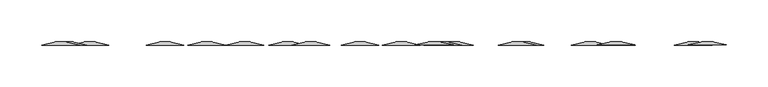
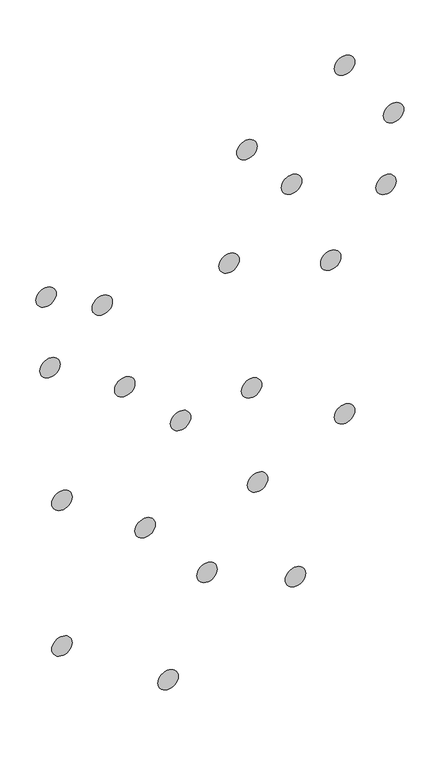
"""IFC4 building model written with IfcOpenShell, lengths in millimetres: furniture geometry."""

from ifc_helpers import new_model, si_unit, frame, origin, place, context, project, spatial, polyline, circle_curve, source, transform, mapped, element, save
from ifc_brep_helpers import plane_surface, revolved_surface, advanced_brep


def furniture_87b277cb(model_context):
    return source(origin(), model_context, "Body", "AdvancedBrep", [
        advanced_brep(
        [(158.8337664, 66.8126425, 1112.1425857), (204.492354, 66.8126425, 1112.1425857), (176.7965442, 70.9156022, 1112.1425857), (186.5295762, 70.9156022, 1112.1425857)],
        [
            (0, 1, circle_curve(frame((181.6630602, 66.8126425, 1112.1425857), z_axis=(0.0, -1.0, 0.0), x_axis=(-1.0, 0.0, 0.0)), 22.8292938)),
            (1, 0, circle_curve(frame((181.6630602, 66.8126425, 1112.1425857), z_axis=(0.0, -1.0, 0.0), x_axis=(1.0, 0.0, 0.0)), 22.8292938)),
            (2, 3, circle_curve(frame((181.6630602, 70.9156022, 1112.1425857), z_axis=(0.0, 1.0, 0.0), x_axis=(1.0, 0.0, 0.0)), 4.866516)),
            (3, 2, circle_curve(frame((181.6630602, 70.9156022, 1112.1425857), z_axis=(0.0, 1.0, 0.0), x_axis=(-1.0, 0.0, 0.0)), 4.866516)),
            (3, 1),
            (0, 2),
        ],
        [
            plane_surface(frame((181.6630602, 66.8126425, 1112.1425857), z_axis=(0.0, -1.0, 0.0), x_axis=(0.0, 0.0, -1.0))),
            plane_surface(frame((181.6630602, 70.9156022, 1112.1425857), z_axis=(0.0, 1.0, 0.0), x_axis=(0.0, 0.0, -1.0))),
            revolved_surface(polyline([(186.52957608644303, 70.9156022, 1112.1425857), (204.492354, 66.8126425, 1112.1425857)]), (181.6630602, 72.0271852, 1112.1425857), (0.0, -1.0, 0.0)),
            revolved_surface(polyline([(176.79654431355695, 70.9156022, 1112.1425857), (158.8337664, 66.8126425, 1112.1425857)]), (181.6630602, 72.0271852, 1112.1425857), (0.0, -1.0, 0.0)),
        ],
        [
            (0, [[1, 2]]),
            (1, [[3, 4]]),
            (2, [[-4, 5, -1, 6]]),
            (3, [[-3, -6, -2, -5]]),
        ],
    ),
        advanced_brep(
        [(284.5207333, 66.8126425, 1049.1126176), (330.1793209, 66.8126425, 1049.1126176), (302.4835111, 70.9156022, 1049.1126176), (312.2165431, 70.9156022, 1049.1126176)],
        [
            (0, 1, circle_curve(frame((307.3500271, 66.8126425, 1049.1126176), z_axis=(0.0, -1.0, 0.0), x_axis=(-1.0, 0.0, 0.0)), 22.8292938)),
            (1, 0, circle_curve(frame((307.3500271, 66.8126425, 1049.1126176), z_axis=(0.0, -1.0, 0.0), x_axis=(1.0, 0.0, 0.0)), 22.8292938)),
            (2, 3, circle_curve(frame((307.3500271, 70.9156022, 1049.1126176), z_axis=(0.0, 1.0, 0.0), x_axis=(1.0, 0.0, 0.0)), 4.866516)),
            (3, 2, circle_curve(frame((307.3500271, 70.9156022, 1049.1126176), z_axis=(0.0, 1.0, 0.0), x_axis=(-1.0, 0.0, 0.0)), 4.866516)),
            (3, 1),
            (0, 2),
        ],
        [
            plane_surface(frame((307.3500271, 66.8126425, 1049.1126176), z_axis=(0.0, -1.0, 0.0), x_axis=(0.0, 0.0, -1.0))),
            plane_surface(frame((307.3500271, 70.9156022, 1049.1126176), z_axis=(0.0, 1.0, 0.0), x_axis=(0.0, 0.0, -1.0))),
            revolved_surface(polyline([(312.216542986443, 70.9156022, 1049.1126176), (330.1793209, 66.8126425, 1049.1126176)]), (307.3500271, 72.0271852, 1049.1126176), (0.0, -1.0, 0.0)),
            revolved_surface(polyline([(302.48351121355694, 70.9156022, 1049.1126176), (284.5207333, 66.8126425, 1049.1126176)]), (307.3500271, 72.0271852, 1049.1126176), (0.0, -1.0, 0.0)),
        ],
        [
            (0, [[1, 2]]),
            (1, [[3, 4]]),
            (2, [[-4, 5, -1, 6]]),
            (3, [[-3, -6, -2, -5]]),
        ],
    ),
        advanced_brep(
        [(167.5008298, 66.8126425, 941.8417883), (213.1594175, 66.8126425, 941.8417883), (185.4636076, 70.9156022, 941.8417883), (195.1966397, 70.9156022, 941.8417883)],
        [
            (0, 1, circle_curve(frame((190.3301236, 66.8126425, 941.8417883), z_axis=(0.0, -1.0, 0.0), x_axis=(-1.0, 0.0, 0.0)), 22.8292938)),
            (1, 0, circle_curve(frame((190.3301236, 66.8126425, 941.8417883), z_axis=(0.0, -1.0, 0.0), x_axis=(1.0, 0.0, 0.0)), 22.8292938)),
            (2, 3, circle_curve(frame((190.3301236, 70.9156022, 941.8417883), z_axis=(0.0, 1.0, 0.0), x_axis=(1.0, 0.0, 0.0)), 4.866516)),
            (3, 2, circle_curve(frame((190.3301236, 70.9156022, 941.8417883), z_axis=(0.0, 1.0, 0.0), x_axis=(-1.0, 0.0, 0.0)), 4.866516)),
            (3, 1),
            (0, 2),
        ],
        [
            plane_surface(frame((190.3301236, 66.8126425, 941.8417883), z_axis=(0.0, -1.0, 0.0), x_axis=(0.0, 0.0, -1.0))),
            plane_surface(frame((190.3301236, 70.9156022, 941.8417883), z_axis=(0.0, 1.0, 0.0), x_axis=(0.0, 0.0, -1.0))),
            revolved_surface(polyline([(195.19663950776, 70.9156022, 941.8417883), (213.1594175, 66.8126425, 941.8417883)]), (190.3301236, 72.0271852, 941.8417883), (0.0, -1.0, 0.0)),
            revolved_surface(polyline([(185.46360771355697, 70.9156022, 941.8417883), (167.5008298, 66.8126425, 941.8417883)]), (190.3301236, 72.0271852, 941.8417883), (0.0, -1.0, 0.0)),
        ],
        [
            (0, [[1, 2]]),
            (1, [[3, 4]]),
            (2, [[-4, 5, -1, 6]]),
            (3, [[-3, -6, -2, -5]]),
        ],
    ),
        advanced_brep(
        [(460.1375913, 66.8126425, 714.3631948), (505.7961789, 66.8126425, 714.3631948), (478.1003691, 70.9156022, 714.3631948), (487.8334011, 70.9156022, 714.3631948)],
        [
            (0, 1, circle_curve(frame((482.9668851, 66.8126425, 714.3631948), z_axis=(0.0, -1.0, 0.0), x_axis=(-1.0, 0.0, 0.0)), 22.8292938)),
            (1, 0, circle_curve(frame((482.9668851, 66.8126425, 714.3631948), z_axis=(0.0, -1.0, 0.0), x_axis=(1.0, 0.0, 0.0)), 22.8292938)),
            (2, 3, circle_curve(frame((482.9668851, 70.9156022, 714.3631948), z_axis=(0.0, 1.0, 0.0), x_axis=(1.0, 0.0, 0.0)), 4.866516)),
            (3, 2, circle_curve(frame((482.9668851, 70.9156022, 714.3631948), z_axis=(0.0, 1.0, 0.0), x_axis=(-1.0, 0.0, 0.0)), 4.866516)),
            (3, 1),
            (0, 2),
        ],
        [
            plane_surface(frame((482.9668851, 66.8126425, 714.3631948), z_axis=(0.0, -1.0, 0.0), x_axis=(0.0, 0.0, -1.0))),
            plane_surface(frame((482.9668851, 70.9156022, 714.3631948), z_axis=(0.0, 1.0, 0.0), x_axis=(0.0, 0.0, -1.0))),
            revolved_surface(polyline([(487.83340098644305, 70.9156022, 714.3631948), (505.7961789, 66.8126425, 714.3631948)]), (482.9668851, 72.0271852, 714.3631948), (0.0, -1.0, 0.0)),
            revolved_surface(polyline([(478.100369213557, 70.9156022, 714.3631948), (460.1375913, 66.8126425, 714.3631948)]), (482.9668851, 72.0271852, 714.3631948), (0.0, -1.0, 0.0)),
        ],
        [
            (0, [[1, 2]]),
            (1, [[3, 4]]),
            (2, [[-4, 5, -1, 6]]),
            (3, [[-3, -6, -2, -5]]),
        ],
    ),
        advanced_brep(
        [(334.941111, 66.8126425, 838.0544934), (380.5996986, 66.8126425, 838.0544934), (352.9038888, 70.9156022, 838.0544934), (362.6369208, 70.9156022, 838.0544934)],
        [
            (0, 1, circle_curve(frame((357.7704048, 66.8126425, 838.0544934), z_axis=(0.0, -1.0, 0.0), x_axis=(-1.0, 0.0, 0.0)), 22.8292938)),
            (1, 0, circle_curve(frame((357.7704048, 66.8126425, 838.0544934), z_axis=(0.0, -1.0, 0.0), x_axis=(1.0, 0.0, 0.0)), 22.8292938)),
            (2, 3, circle_curve(frame((357.7704048, 70.9156022, 838.0544934), z_axis=(0.0, 1.0, 0.0), x_axis=(1.0, 0.0, 0.0)), 4.866516)),
            (3, 2, circle_curve(frame((357.7704048, 70.9156022, 838.0544934), z_axis=(0.0, 1.0, 0.0), x_axis=(-1.0, 0.0, 0.0)), 4.866516)),
            (3, 1),
            (0, 2),
        ],
        [
            plane_surface(frame((357.7704048, 66.8126425, 838.0544934), z_axis=(0.0, -1.0, 0.0), x_axis=(0.0, 0.0, -1.0))),
            plane_surface(frame((357.7704048, 70.9156022, 838.0544934), z_axis=(0.0, 1.0, 0.0), x_axis=(0.0, 0.0, -1.0))),
            revolved_surface(polyline([(362.63692068644303, 70.9156022, 838.0544934), (380.5996986, 66.8126425, 838.0544934)]), (357.7704048, 72.0271852, 838.0544934), (0.0, -1.0, 0.0)),
            revolved_surface(polyline([(352.90388891355695, 70.9156022, 838.0544934), (334.941111, 66.8126425, 838.0544934)]), (357.7704048, 72.0271852, 838.0544934), (0.0, -1.0, 0.0)),
        ],
        [
            (0, [[1, 2]]),
            (1, [[3, 4]]),
            (2, [[-4, 5, -1, 6]]),
            (3, [[-3, -6, -2, -5]]),
        ],
    ),
        advanced_brep(
        [(194.1781542, 66.8126425, 618.3802489), (239.8367418, 66.8126425, 618.3802489), (212.140932, 70.9156022, 618.3802489), (221.873964, 70.9156022, 618.3802489)],
        [
            (0, 1, circle_curve(frame((217.007448, 66.8126425, 618.3802489), z_axis=(0.0, -1.0, 0.0), x_axis=(-1.0, 0.0, 0.0)), 22.8292938)),
            (1, 0, circle_curve(frame((217.007448, 66.8126425, 618.3802489), z_axis=(0.0, -1.0, 0.0), x_axis=(1.0, 0.0, 0.0)), 22.8292938)),
            (2, 3, circle_curve(frame((217.007448, 70.9156022, 618.3802489), z_axis=(0.0, 1.0, 0.0), x_axis=(1.0, 0.0, 0.0)), 4.866516)),
            (3, 2, circle_curve(frame((217.007448, 70.9156022, 618.3802489), z_axis=(0.0, 1.0, 0.0), x_axis=(-1.0, 0.0, 0.0)), 4.866516)),
            (3, 1),
            (0, 2),
        ],
        [
            plane_surface(frame((217.007448, 66.8126425, 618.3802489), z_axis=(0.0, -1.0, 0.0), x_axis=(0.0, 0.0, -1.0))),
            plane_surface(frame((217.007448, 70.9156022, 618.3802489), z_axis=(0.0, 1.0, 0.0), x_axis=(0.0, 0.0, -1.0))),
            revolved_surface(polyline([(221.87396388644305, 70.9156022, 618.3802489), (239.8367418, 66.8126425, 618.3802489)]), (217.007448, 72.0271852, 618.3802489), (0.0, -1.0, 0.0)),
            revolved_surface(polyline([(212.14093211355697, 70.9156022, 618.3802489), (194.1781542, 66.8126425, 618.3802489)]), (217.007448, 72.0271852, 618.3802489), (0.0, -1.0, 0.0)),
        ],
        [
            (0, [[1, 2]]),
            (1, [[3, 4]]),
            (2, [[-4, 5, -1, 6]]),
            (3, [[-3, -6, -2, -5]]),
        ],
    ),
        advanced_brep(
        [(432.0598398, 66.8126425, 110.230144), (477.7184274, 66.8126425, 110.230144), (450.0226176, 70.9156022, 110.230144), (459.7556496, 70.9156022, 110.230144)],
        [
            (0, 1, circle_curve(frame((454.8891336, 66.8126425, 110.230144), z_axis=(0.0, -1.0, 0.0), x_axis=(-1.0, 0.0, 0.0)), 22.8292938)),
            (1, 0, circle_curve(frame((454.8891336, 66.8126425, 110.230144), z_axis=(0.0, -1.0, 0.0), x_axis=(1.0, 0.0, 0.0)), 22.8292938)),
            (2, 3, circle_curve(frame((454.8891336, 70.9156022, 110.230144), z_axis=(0.0, 1.0, 0.0), x_axis=(1.0, 0.0, 0.0)), 4.866516)),
            (3, 2, circle_curve(frame((454.8891336, 70.9156022, 110.230144), z_axis=(0.0, 1.0, 0.0), x_axis=(-1.0, 0.0, 0.0)), 4.866516)),
            (3, 1),
            (0, 2),
        ],
        [
            plane_surface(frame((454.8891336, 66.8126425, 110.230144), z_axis=(0.0, -1.0, 0.0), x_axis=(0.0, 0.0, -1.0))),
            plane_surface(frame((454.8891336, 70.9156022, 110.230144), z_axis=(0.0, 1.0, 0.0), x_axis=(0.0, 0.0, -1.0))),
            revolved_surface(polyline([(459.755649486443, 70.9156022, 110.230144), (477.7184274, 66.8126425, 110.230144)]), (454.8891336, 72.0271852, 110.230144), (0.0, -1.0, 0.0)),
            revolved_surface(polyline([(450.02261771355694, 70.9156022, 110.230144), (432.0598398, 66.8126425, 110.230144)]), (454.8891336, 72.0271852, 110.230144), (0.0, -1.0, 0.0)),
        ],
        [
            (0, [[1, 2]]),
            (1, [[3, 4]]),
            (2, [[-4, 5, -1, 6]]),
            (3, [[-3, -6, -2, -5]]),
        ],
    ),
        advanced_brep(
        [(194.2380615, 66.8126425, 273.4057678), (239.8966491, 66.8126425, 273.4057678), (212.2008393, 70.9156022, 273.4057678), (221.9338713, 70.9156022, 273.4057678)],
        [
            (0, 1, circle_curve(frame((217.0673553, 66.8126425, 273.4057678), z_axis=(0.0, -1.0, 0.0), x_axis=(-1.0, 0.0, 0.0)), 22.8292938)),
            (1, 0, circle_curve(frame((217.0673553, 66.8126425, 273.4057678), z_axis=(0.0, -1.0, 0.0), x_axis=(1.0, 0.0, 0.0)), 22.8292938)),
            (2, 3, circle_curve(frame((217.0673553, 70.9156022, 273.4057678), z_axis=(0.0, 1.0, 0.0), x_axis=(1.0, 0.0, 0.0)), 4.866516)),
            (3, 2, circle_curve(frame((217.0673553, 70.9156022, 273.4057678), z_axis=(0.0, 1.0, 0.0), x_axis=(-1.0, 0.0, 0.0)), 4.866516)),
            (3, 1),
            (0, 2),
        ],
        [
            plane_surface(frame((217.0673553, 66.8126425, 273.4057678), z_axis=(0.0, -1.0, 0.0), x_axis=(0.0, 0.0, -1.0))),
            plane_surface(frame((217.0673553, 70.9156022, 273.4057678), z_axis=(0.0, 1.0, 0.0), x_axis=(0.0, 0.0, -1.0))),
            revolved_surface(polyline([(221.93387118644304, 70.9156022, 273.4057678), (239.8966491, 66.8126425, 273.4057678)]), (217.0673553, 72.0271852, 273.4057678), (0.0, -1.0, 0.0)),
            revolved_surface(polyline([(212.20083941355696, 70.9156022, 273.4057678), (194.2380615, 66.8126425, 273.4057678)]), (217.0673553, 72.0271852, 273.4057678), (0.0, -1.0, 0.0)),
        ],
        [
            (0, [[1, 2]]),
            (1, [[3, 4]]),
            (2, [[-4, 5, -1, 6]]),
            (3, [[-3, -6, -2, -5]]),
        ],
    ),
        advanced_brep(
        [(380.642356, 66.8126425, 488.3298064), (426.3009437, 66.8126425, 488.3298064), (398.6051338, 70.9156022, 488.3298064), (408.3381659, 70.9156022, 488.3298064)],
        [
            (0, 1, circle_curve(frame((403.4716498, 66.8126425, 488.3298064), z_axis=(0.0, -1.0, 0.0), x_axis=(-1.0, 0.0, 0.0)), 22.8292938)),
            (1, 0, circle_curve(frame((403.4716498, 66.8126425, 488.3298064), z_axis=(0.0, -1.0, 0.0), x_axis=(1.0, 0.0, 0.0)), 22.8292938)),
            (2, 3, circle_curve(frame((403.4716498, 70.9156022, 488.3298064), z_axis=(0.0, 1.0, 0.0), x_axis=(1.0, 0.0, 0.0)), 4.866516)),
            (3, 2, circle_curve(frame((403.4716498, 70.9156022, 488.3298064), z_axis=(0.0, 1.0, 0.0), x_axis=(-1.0, 0.0, 0.0)), 4.866516)),
            (3, 1),
            (0, 2),
        ],
        [
            plane_surface(frame((403.4716498, 66.8126425, 488.3298064), z_axis=(0.0, -1.0, 0.0), x_axis=(0.0, 0.0, -1.0))),
            plane_surface(frame((403.4716498, 70.9156022, 488.3298064), z_axis=(0.0, 1.0, 0.0), x_axis=(0.0, 0.0, -1.0))),
            revolved_surface(polyline([(408.33816570776, 70.9156022, 488.3298064), (426.3009437, 66.8126425, 488.3298064)]), (403.4716498, 72.0271852, 488.3298064), (0.0, -1.0, 0.0)),
            revolved_surface(polyline([(398.605133913557, 70.9156022, 488.3298064), (380.642356, 66.8126425, 488.3298064)]), (403.4716498, 72.0271852, 488.3298064), (0.0, -1.0, 0.0)),
        ],
        [
            (0, [[1, 2]]),
            (1, [[3, 4]]),
            (2, [[-4, 5, -1, 6]]),
            (3, [[-3, -6, -2, -5]]),
        ],
    ),
        advanced_brep(
        [(519.1599457, 66.8126425, 333.9180113), (564.8185334, 66.8126425, 333.9180113), (537.1227235, 70.9156022, 333.9180113), (546.8557556, 70.9156022, 333.9180113)],
        [
            (0, 1, circle_curve(frame((541.9892396, 66.8126425, 333.9180113), z_axis=(0.0, -1.0, 0.0), x_axis=(-1.0, 0.0, 0.0)), 22.8292938)),
            (1, 0, circle_curve(frame((541.9892396, 66.8126425, 333.9180113), z_axis=(0.0, -1.0, 0.0), x_axis=(1.0, 0.0, 0.0)), 22.8292938)),
            (2, 3, circle_curve(frame((541.9892396, 70.9156022, 333.9180113), z_axis=(0.0, 1.0, 0.0), x_axis=(1.0, 0.0, 0.0)), 4.866516)),
            (3, 2, circle_curve(frame((541.9892396, 70.9156022, 333.9180113), z_axis=(0.0, 1.0, 0.0), x_axis=(-1.0, 0.0, 0.0)), 4.866516)),
            (3, 1),
            (0, 2),
        ],
        [
            plane_surface(frame((541.9892396, 66.8126425, 333.9180113), z_axis=(0.0, -1.0, 0.0), x_axis=(0.0, 0.0, -1.0))),
            plane_surface(frame((541.9892396, 70.9156022, 333.9180113), z_axis=(0.0, 1.0, 0.0), x_axis=(0.0, 0.0, -1.0))),
            revolved_surface(polyline([(546.8557554864431, 70.9156022, 333.9180113), (564.8185334, 66.8126425, 333.9180113)]), (541.9892396, 72.0271852, 333.9180113), (0.0, -1.0, 0.0)),
            revolved_surface(polyline([(537.12272369224, 70.9156022, 333.9180113), (519.1599457, 66.8126425, 333.9180113)]), (541.9892396, 72.0271852, 333.9180113), (0.0, -1.0, 0.0)),
        ],
        [
            (0, [[1, 2]]),
            (1, [[3, 4]]),
            (2, [[-4, 5, -1, 6]]),
            (3, [[-3, -6, -2, -5]]),
        ],
    ),
        advanced_brep(
        [(717.2142735, 66.8126425, 254.4325842), (762.8728611, 66.8126425, 254.4325842), (735.1770513, 70.9156022, 254.4325842), (744.9100833, 70.9156022, 254.4325842)],
        [
            (0, 1, circle_curve(frame((740.0435673, 66.8126425, 254.4325842), z_axis=(0.0, -1.0, 0.0), x_axis=(-1.0, 0.0, 0.0)), 22.8292938)),
            (1, 0, circle_curve(frame((740.0435673, 66.8126425, 254.4325842), z_axis=(0.0, -1.0, 0.0), x_axis=(1.0, 0.0, 0.0)), 22.8292938)),
            (2, 3, circle_curve(frame((740.0435673, 70.9156022, 254.4325842), z_axis=(0.0, 1.0, 0.0), x_axis=(1.0, 0.0, 0.0)), 4.866516)),
            (3, 2, circle_curve(frame((740.0435673, 70.9156022, 254.4325842), z_axis=(0.0, 1.0, 0.0), x_axis=(-1.0, 0.0, 0.0)), 4.866516)),
            (3, 1),
            (0, 2),
        ],
        [
            plane_surface(frame((740.0435673, 66.8126425, 254.4325842), z_axis=(0.0, -1.0, 0.0), x_axis=(0.0, 0.0, -1.0))),
            plane_surface(frame((740.0435673, 70.9156022, 254.4325842), z_axis=(0.0, 1.0, 0.0), x_axis=(0.0, 0.0, -1.0))),
            revolved_surface(polyline([(744.910083186443, 70.9156022, 254.4325842), (762.8728611, 66.8126425, 254.4325842)]), (740.0435673, 72.0271852, 254.4325842), (0.0, -1.0, 0.0)),
            revolved_surface(polyline([(735.1770514135569, 70.9156022, 254.4325842), (717.2142735, 66.8126425, 254.4325842)]), (740.0435673, 72.0271852, 254.4325842), (0.0, -1.0, 0.0)),
        ],
        [
            (0, [[1, 2]]),
            (1, [[3, 4]]),
            (2, [[-4, 5, -1, 6]]),
            (3, [[-3, -6, -2, -5]]),
        ],
    ),
        advanced_brep(
        [(632.6231844, 66.8126425, 508.2775632), (678.281772, 66.8126425, 508.2775632), (650.5859621, 70.9156022, 508.2775632), (660.3189942, 70.9156022, 508.2775632)],
        [
            (0, 1, circle_curve(frame((655.4524782, 66.8126425, 508.2775632), z_axis=(0.0, -1.0, 0.0), x_axis=(-1.0, 0.0, 0.0)), 22.8292938)),
            (1, 0, circle_curve(frame((655.4524782, 66.8126425, 508.2775632), z_axis=(0.0, -1.0, 0.0), x_axis=(1.0, 0.0, 0.0)), 22.8292938)),
            (2, 3, circle_curve(frame((655.4524782, 70.9156022, 508.2775632), z_axis=(0.0, 1.0, 0.0), x_axis=(1.0, 0.0, 0.0)), 4.866516)),
            (3, 2, circle_curve(frame((655.4524782, 70.9156022, 508.2775632), z_axis=(0.0, 1.0, 0.0), x_axis=(-1.0, 0.0, 0.0)), 4.866516)),
            (3, 1),
            (0, 2),
        ],
        [
            plane_surface(frame((655.4524782, 66.8126425, 508.2775632), z_axis=(0.0, -1.0, 0.0), x_axis=(0.0, 0.0, -1.0))),
            plane_surface(frame((655.4524782, 70.9156022, 508.2775632), z_axis=(0.0, 1.0, 0.0), x_axis=(0.0, 0.0, -1.0))),
            revolved_surface(polyline([(660.318994086443, 70.9156022, 508.2775632), (678.281772, 66.8126425, 508.2775632)]), (655.4524782, 72.0271852, 508.2775632), (0.0, -1.0, 0.0)),
            revolved_surface(polyline([(650.5859623135569, 70.9156022, 508.2775632), (632.6231844, 66.8126425, 508.2775632)]), (655.4524782, 72.0271852, 508.2775632), (0.0, -1.0, 0.0)),
        ],
        [
            (0, [[1, 2]]),
            (1, [[3, 4]]),
            (2, [[-4, 5, -1, 6]]),
            (3, [[-3, -6, -2, -5]]),
        ],
    ),
        advanced_brep(
        [(827.3992809, 66.8126425, 601.6360567), (873.0578685, 66.8126425, 601.6360567), (845.3620587, 70.9156022, 601.6360567), (855.0950907, 70.9156022, 601.6360567)],
        [
            (0, 1, circle_curve(frame((850.2285747, 66.8126425, 601.6360567), z_axis=(0.0, -1.0, 0.0), x_axis=(-1.0, 0.0, 0.0)), 22.8292938)),
            (1, 0, circle_curve(frame((850.2285747, 66.8126425, 601.6360567), z_axis=(0.0, -1.0, 0.0), x_axis=(1.0, 0.0, 0.0)), 22.8292938)),
            (2, 3, circle_curve(frame((850.2285747, 70.9156022, 601.6360567), z_axis=(0.0, 1.0, 0.0), x_axis=(1.0, 0.0, 0.0)), 4.866516)),
            (3, 2, circle_curve(frame((850.2285747, 70.9156022, 601.6360567), z_axis=(0.0, 1.0, 0.0), x_axis=(-1.0, 0.0, 0.0)), 4.866516)),
            (3, 1),
            (0, 2),
        ],
        [
            plane_surface(frame((850.2285747, 66.8126425, 601.6360567), z_axis=(0.0, -1.0, 0.0), x_axis=(0.0, 0.0, -1.0))),
            plane_surface(frame((850.2285747, 70.9156022, 601.6360567), z_axis=(0.0, 1.0, 0.0), x_axis=(0.0, 0.0, -1.0))),
            revolved_surface(polyline([(855.095090586443, 70.9156022, 601.6360567), (873.0578685, 66.8126425, 601.6360567)]), (850.2285747, 72.0271852, 601.6360567), (0.0, -1.0, 0.0)),
            revolved_surface(polyline([(845.3620588135569, 70.9156022, 601.6360567), (827.3992809, 66.8126425, 601.6360567)]), (850.2285747, 72.0271852, 601.6360567), (0.0, -1.0, 0.0)),
        ],
        [
            (0, [[1, 2]]),
            (1, [[3, 4]]),
            (2, [[-4, 5, -1, 6]]),
            (3, [[-3, -6, -2, -5]]),
        ],
    ),
        advanced_brep(
        [(618.9192702, 66.8126425, 735.8076305), (664.5778578, 66.8126425, 735.8076305), (636.882048, 70.9156022, 735.8076305), (646.61508, 70.9156022, 735.8076305)],
        [
            (0, 1, circle_curve(frame((641.748564, 66.8126425, 735.8076305), z_axis=(0.0, -1.0, 0.0), x_axis=(-1.0, 0.0, 0.0)), 22.8292938)),
            (1, 0, circle_curve(frame((641.748564, 66.8126425, 735.8076305), z_axis=(0.0, -1.0, 0.0), x_axis=(1.0, 0.0, 0.0)), 22.8292938)),
            (2, 3, circle_curve(frame((641.748564, 70.9156022, 735.8076305), z_axis=(0.0, 1.0, 0.0), x_axis=(1.0, 0.0, 0.0)), 4.866516)),
            (3, 2, circle_curve(frame((641.748564, 70.9156022, 735.8076305), z_axis=(0.0, 1.0, 0.0), x_axis=(-1.0, 0.0, 0.0)), 4.866516)),
            (3, 1),
            (0, 2),
        ],
        [
            plane_surface(frame((641.748564, 66.8126425, 735.8076305), z_axis=(0.0, -1.0, 0.0), x_axis=(0.0, 0.0, -1.0))),
            plane_surface(frame((641.748564, 70.9156022, 735.8076305), z_axis=(0.0, 1.0, 0.0), x_axis=(0.0, 0.0, -1.0))),
            revolved_surface(polyline([(646.615079886443, 70.9156022, 735.8076305), (664.5778578, 66.8126425, 735.8076305)]), (641.748564, 72.0271852, 735.8076305), (0.0, -1.0, 0.0)),
            revolved_surface(polyline([(636.882048113557, 70.9156022, 735.8076305), (618.9192702, 66.8126425, 735.8076305)]), (641.748564, 72.0271852, 735.8076305), (0.0, -1.0, 0.0)),
        ],
        [
            (0, [[1, 2]]),
            (1, [[3, 4]]),
            (2, [[-4, 5, -1, 6]]),
            (3, [[-3, -6, -2, -5]]),
        ],
    ),
        advanced_brep(
        [(568.7650734, 66.8126425, 1049.1057189), (614.423661, 66.8126425, 1049.1057189), (586.7278512, 70.9156022, 1049.1057189), (596.4608832, 70.9156022, 1049.1057189)],
        [
            (0, 1, circle_curve(frame((591.5943672, 66.8126425, 1049.1057189), z_axis=(0.0, -1.0, 0.0), x_axis=(-1.0, 0.0, 0.0)), 22.8292938)),
            (1, 0, circle_curve(frame((591.5943672, 66.8126425, 1049.1057189), z_axis=(0.0, -1.0, 0.0), x_axis=(1.0, 0.0, 0.0)), 22.8292938)),
            (2, 3, circle_curve(frame((591.5943672, 70.9156022, 1049.1057189), z_axis=(0.0, 1.0, 0.0), x_axis=(1.0, 0.0, 0.0)), 4.866516)),
            (3, 2, circle_curve(frame((591.5943672, 70.9156022, 1049.1057189), z_axis=(0.0, 1.0, 0.0), x_axis=(-1.0, 0.0, 0.0)), 4.866516)),
            (3, 1),
            (0, 2),
        ],
        [
            plane_surface(frame((591.5943672, 66.8126425, 1049.1057189), z_axis=(0.0, -1.0, 0.0), x_axis=(0.0, 0.0, -1.0))),
            plane_surface(frame((591.5943672, 70.9156022, 1049.1057189), z_axis=(0.0, 1.0, 0.0), x_axis=(0.0, 0.0, -1.0))),
            revolved_surface(polyline([(596.460883086443, 70.9156022, 1049.1057189), (614.423661, 66.8126425, 1049.1057189)]), (591.5943672, 72.0271852, 1049.1057189), (0.0, -1.0, 0.0)),
            revolved_surface(polyline([(586.7278513135569, 70.9156022, 1049.1057189), (568.7650734, 66.8126425, 1049.1057189)]), (591.5943672, 72.0271852, 1049.1057189), (0.0, -1.0, 0.0)),
        ],
        [
            (0, [[1, 2]]),
            (1, [[3, 4]]),
            (2, [[-4, 5, -1, 6]]),
            (3, [[-3, -6, -2, -5]]),
        ],
    ),
        advanced_brep(
        [(796.2638241, 66.8126425, 976.4372013), (841.9224117, 66.8126425, 976.4372013), (814.2266019, 70.9156022, 976.4372013), (823.9596339, 70.9156022, 976.4372013)],
        [
            (0, 1, circle_curve(frame((819.0931179, 66.8126425, 976.4372013), z_axis=(0.0, -1.0, 0.0), x_axis=(-1.0, 0.0, 0.0)), 22.8292938)),
            (1, 0, circle_curve(frame((819.0931179, 66.8126425, 976.4372013), z_axis=(0.0, -1.0, 0.0), x_axis=(1.0, 0.0, 0.0)), 22.8292938)),
            (2, 3, circle_curve(frame((819.0931179, 70.9156022, 976.4372013), z_axis=(0.0, 1.0, 0.0), x_axis=(1.0, 0.0, 0.0)), 4.866516)),
            (3, 2, circle_curve(frame((819.0931179, 70.9156022, 976.4372013), z_axis=(0.0, 1.0, 0.0), x_axis=(-1.0, 0.0, 0.0)), 4.866516)),
            (3, 1),
            (0, 2),
        ],
        [
            plane_surface(frame((819.0931179, 66.8126425, 976.4372013), z_axis=(0.0, -1.0, 0.0), x_axis=(0.0, 0.0, -1.0))),
            plane_surface(frame((819.0931179, 70.9156022, 976.4372013), z_axis=(0.0, 1.0, 0.0), x_axis=(0.0, 0.0, -1.0))),
            revolved_surface(polyline([(823.9596337864431, 70.9156022, 976.4372013), (841.9224117, 66.8126425, 976.4372013)]), (819.0931179, 72.0271852, 976.4372013), (0.0, -1.0, 0.0)),
            revolved_surface(polyline([(814.226602013557, 70.9156022, 976.4372013), (796.2638241, 66.8126425, 976.4372013)]), (819.0931179, 72.0271852, 976.4372013), (0.0, -1.0, 0.0)),
        ],
        [
            (0, [[1, 2]]),
            (1, [[3, 4]]),
            (2, [[-4, 5, -1, 6]]),
            (3, [[-3, -6, -2, -5]]),
        ],
    ),
        advanced_brep(
        [(920.1117616, 66.8126425, 1112.2579437), (965.7703492, 66.8126425, 1112.2579437), (938.0745394, 70.9156022, 1112.2579437), (947.8075714, 70.9156022, 1112.2579437)],
        [
            (0, 1, circle_curve(frame((942.9410554, 66.8126425, 1112.2579437), z_axis=(0.0, -1.0, 0.0), x_axis=(-1.0, 0.0, 0.0)), 22.8292938)),
            (1, 0, circle_curve(frame((942.9410554, 66.8126425, 1112.2579437), z_axis=(0.0, -1.0, 0.0), x_axis=(1.0, 0.0, 0.0)), 22.8292938)),
            (2, 3, circle_curve(frame((942.9410554, 70.9156022, 1112.2579437), z_axis=(0.0, 1.0, 0.0), x_axis=(1.0, 0.0, 0.0)), 4.866516)),
            (3, 2, circle_curve(frame((942.9410554, 70.9156022, 1112.2579437), z_axis=(0.0, 1.0, 0.0), x_axis=(-1.0, 0.0, 0.0)), 4.866516)),
            (3, 1),
            (0, 2),
        ],
        [
            plane_surface(frame((942.9410554, 66.8126425, 1112.2579437), z_axis=(0.0, -1.0, 0.0), x_axis=(0.0, 0.0, -1.0))),
            plane_surface(frame((942.9410554, 70.9156022, 1112.2579437), z_axis=(0.0, 1.0, 0.0), x_axis=(0.0, 0.0, -1.0))),
            revolved_surface(polyline([(947.807571286443, 70.9156022, 1112.2579437), (965.7703492, 66.8126425, 1112.2579437)]), (942.9410554, 72.0271852, 1112.2579437), (0.0, -1.0, 0.0)),
            revolved_surface(polyline([(938.0745395135569, 70.9156022, 1112.2579437), (920.1117616, 66.8126425, 1112.2579437)]), (942.9410554, 72.0271852, 1112.2579437), (0.0, -1.0, 0.0)),
        ],
        [
            (0, [[1, 2]]),
            (1, [[3, 4]]),
            (2, [[-4, 5, -1, 6]]),
            (3, [[-3, -6, -2, -5]]),
        ],
    ),
        advanced_brep(
        [(708.5983698, 66.8126425, 1186.753677), (754.2569575, 66.8126425, 1186.753677), (726.5611476, 70.9156022, 1186.753677), (736.2941797, 70.9156022, 1186.753677)],
        [
            (0, 1, circle_curve(frame((731.4276637, 66.8126425, 1186.753677), z_axis=(0.0, -1.0, 0.0), x_axis=(-1.0, 0.0, 0.0)), 22.8292938)),
            (1, 0, circle_curve(frame((731.4276637, 66.8126425, 1186.753677), z_axis=(0.0, -1.0, 0.0), x_axis=(1.0, 0.0, 0.0)), 22.8292938)),
            (2, 3, circle_curve(frame((731.4276637, 70.9156022, 1186.753677), z_axis=(0.0, 1.0, 0.0), x_axis=(1.0, 0.0, 0.0)), 4.866516)),
            (3, 2, circle_curve(frame((731.4276637, 70.9156022, 1186.753677), z_axis=(0.0, 1.0, 0.0), x_axis=(-1.0, 0.0, 0.0)), 4.866516)),
            (3, 1),
            (0, 2),
        ],
        [
            plane_surface(frame((731.4276637, 66.8126425, 1186.753677), z_axis=(0.0, -1.0, 0.0), x_axis=(0.0, 0.0, -1.0))),
            plane_surface(frame((731.4276637, 70.9156022, 1186.753677), z_axis=(0.0, 1.0, 0.0), x_axis=(0.0, 0.0, -1.0))),
            revolved_surface(polyline([(736.2941795864431, 70.9156022, 1186.753677), (754.2569575, 66.8126425, 1186.753677)]), (731.4276637, 72.0271852, 1186.753677), (0.0, -1.0, 0.0)),
            revolved_surface(polyline([(726.56114779224, 70.9156022, 1186.753677), (708.5983698, 66.8126425, 1186.753677)]), (731.4276637, 72.0271852, 1186.753677), (0.0, -1.0, 0.0)),
        ],
        [
            (0, [[1, 2]]),
            (1, [[3, 4]]),
            (2, [[-4, 5, -1, 6]]),
            (3, [[-3, -6, -2, -5]]),
        ],
    ),
        advanced_brep(
        [(608.3000398, 66.8126425, 1303.7665015), (653.9586274, 66.8126425, 1303.7665015), (626.2628176, 70.9156022, 1303.7665015), (635.9958496, 70.9156022, 1303.7665015)],
        [
            (0, 1, circle_curve(frame((631.1293336, 66.8126425, 1303.7665015), z_axis=(0.0, -1.0, 0.0), x_axis=(-1.0, 0.0, 0.0)), 22.8292938)),
            (1, 0, circle_curve(frame((631.1293336, 66.8126425, 1303.7665015), z_axis=(0.0, -1.0, 0.0), x_axis=(1.0, 0.0, 0.0)), 22.8292938)),
            (2, 3, circle_curve(frame((631.1293336, 70.9156022, 1303.7665015), z_axis=(0.0, 1.0, 0.0), x_axis=(1.0, 0.0, 0.0)), 4.866516)),
            (3, 2, circle_curve(frame((631.1293336, 70.9156022, 1303.7665015), z_axis=(0.0, 1.0, 0.0), x_axis=(-1.0, 0.0, 0.0)), 4.866516)),
            (3, 1),
            (0, 2),
        ],
        [
            plane_surface(frame((631.1293336, 66.8126425, 1303.7665015), z_axis=(0.0, -1.0, 0.0), x_axis=(0.0, 0.0, -1.0))),
            plane_surface(frame((631.1293336, 70.9156022, 1303.7665015), z_axis=(0.0, 1.0, 0.0), x_axis=(0.0, 0.0, -1.0))),
            revolved_surface(polyline([(635.995849486443, 70.9156022, 1303.7665015), (653.9586274, 66.8126425, 1303.7665015)]), (631.1293336, 72.0271852, 1303.7665015), (0.0, -1.0, 0.0)),
            revolved_surface(polyline([(626.262817713557, 70.9156022, 1303.7665015), (608.3000398, 66.8126425, 1303.7665015)]), (631.1293336, 72.0271852, 1303.7665015), (0.0, -1.0, 0.0)),
        ],
        [
            (0, [[1, 2]]),
            (1, [[3, 4]]),
            (2, [[-4, 5, -1, 6]]),
            (3, [[-3, -6, -2, -5]]),
        ],
    ),
        advanced_brep(
        [(937.2148837, 66.8126425, 1276.3919749), (982.8734713, 66.8126425, 1276.3919749), (955.1776615, 70.9156022, 1276.3919749), (964.9106935, 70.9156022, 1276.3919749)],
        [
            (0, 1, circle_curve(frame((960.0441775, 66.8126425, 1276.3919749), z_axis=(0.0, -1.0, 0.0), x_axis=(-1.0, 0.0, 0.0)), 22.8292938)),
            (1, 0, circle_curve(frame((960.0441775, 66.8126425, 1276.3919749), z_axis=(0.0, -1.0, 0.0), x_axis=(1.0, 0.0, 0.0)), 22.8292938)),
            (2, 3, circle_curve(frame((960.0441775, 70.9156022, 1276.3919749), z_axis=(0.0, 1.0, 0.0), x_axis=(1.0, 0.0, 0.0)), 4.866516)),
            (3, 2, circle_curve(frame((960.0441775, 70.9156022, 1276.3919749), z_axis=(0.0, 1.0, 0.0), x_axis=(-1.0, 0.0, 0.0)), 4.866516)),
            (3, 1),
            (0, 2),
        ],
        [
            plane_surface(frame((960.0441775, 66.8126425, 1276.3919749), z_axis=(0.0, -1.0, 0.0), x_axis=(0.0, 0.0, -1.0))),
            plane_surface(frame((960.0441775, 70.9156022, 1276.3919749), z_axis=(0.0, 1.0, 0.0), x_axis=(0.0, 0.0, -1.0))),
            revolved_surface(polyline([(964.9106933864431, 70.9156022, 1276.3919749), (982.8734713, 66.8126425, 1276.3919749)]), (960.0441775, 72.0271852, 1276.3919749), (0.0, -1.0, 0.0)),
            revolved_surface(polyline([(955.177661613557, 70.9156022, 1276.3919749), (937.2148837, 66.8126425, 1276.3919749)]), (960.0441775, 72.0271852, 1276.3919749), (0.0, -1.0, 0.0)),
        ],
        [
            (0, [[1, 2]]),
            (1, [[3, 4]]),
            (2, [[-4, 5, -1, 6]]),
            (3, [[-3, -6, -2, -5]]),
        ],
    ),
        advanced_brep(
        [(827.1607273, 66.8126425, 1427.0580274), (872.8193149, 66.8126425, 1427.0580274), (845.123505, 70.9156022, 1427.0580274), (854.8565371, 70.9156022, 1427.0580274)],
        [
            (0, 1, circle_curve(frame((849.9900211, 66.8126425, 1427.0580274), z_axis=(0.0, -1.0, 0.0), x_axis=(-1.0, 0.0, 0.0)), 22.8292938)),
            (1, 0, circle_curve(frame((849.9900211, 66.8126425, 1427.0580274), z_axis=(0.0, -1.0, 0.0), x_axis=(1.0, 0.0, 0.0)), 22.8292938)),
            (2, 3, circle_curve(frame((849.9900211, 70.9156022, 1427.0580274), z_axis=(0.0, 1.0, 0.0), x_axis=(1.0, 0.0, 0.0)), 4.866516)),
            (3, 2, circle_curve(frame((849.9900211, 70.9156022, 1427.0580274), z_axis=(0.0, 1.0, 0.0), x_axis=(-1.0, 0.0, 0.0)), 4.866516)),
            (3, 1),
            (0, 2),
        ],
        [
            plane_surface(frame((849.9900211, 66.8126425, 1427.0580274), z_axis=(0.0, -1.0, 0.0), x_axis=(0.0, 0.0, -1.0))),
            plane_surface(frame((849.9900211, 70.9156022, 1427.0580274), z_axis=(0.0, 1.0, 0.0), x_axis=(0.0, 0.0, -1.0))),
            revolved_surface(polyline([(854.8565369864431, 70.9156022, 1427.0580274), (872.8193149, 66.8126425, 1427.0580274)]), (849.9900211, 72.0271852, 1427.0580274), (0.0, -1.0, 0.0)),
            revolved_surface(polyline([(845.123505213557, 70.9156022, 1427.0580274), (827.1607273, 66.8126425, 1427.0580274)]), (849.9900211, 72.0271852, 1427.0580274), (0.0, -1.0, 0.0)),
        ],
        [
            (0, [[1, 2]]),
            (1, [[3, 4]]),
            (2, [[-4, 5, -1, 6]]),
            (3, [[-3, -6, -2, -5]]),
        ],
    ),
    ])


if __name__ == "__main__":
    model = new_model("IFC4")
    model_context = context("Model", 3, world=origin())
    ifc_project = project(units=[si_unit("LENGTHUNIT", "METRE", prefix="MILLI")], contexts=[model_context])
    site = spatial("IfcSite", under=ifc_project)
    building = spatial("IfcBuilding", under=site)
    placement = place(None, origin())
    furniture_shape = furniture_87b277cb(model_context)
    element("IfcFurniture", 1, at=placement, inside=building, context=model_context, shape_type="MappedRepresentation", body=[
        mapped(furniture_shape, transform((0.0, 0.0, 0.0), x_axis=(1.0, 0.0, 0.0), y_axis=(0.0, 1.0, 0.0), z_axis=(0.0, 0.0, 1.0))),
    ])
    save(model, "model.ifc")
